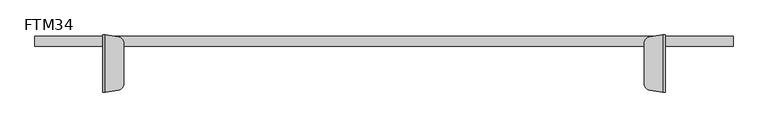
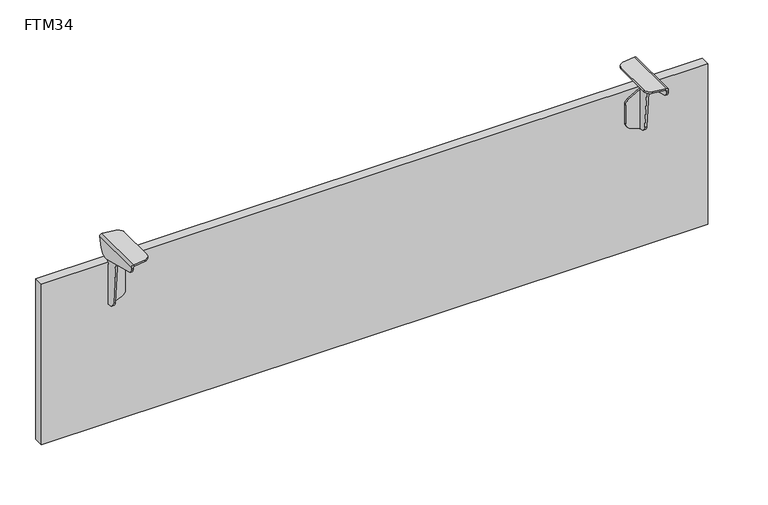
"""IFC4 building model written with IfcOpenShell, lengths in millimetres: furniture geometry, FTM34."""

from ifc_helpers import new_model, si_unit, frame, origin, origin_with_axes, place, context, project, spatial, polyline, circle_curve, ellipse_curve, outline, extrude, source, transform, mapped, element, save
from ifc_brep_helpers import plane_surface, cylinder_surface, revolved_surface, advanced_brep


def ftm34_ece94873(model_context):
    return source(origin(), model_context, "Body", "SolidModel", [
        advanced_brep(
        [(439.8, -72.16308, 319.1049121), (443.0, -72.16308, 315.9049121), (443.0, 17.6147548, 315.9049121), (442.9937439, 17.6539668, 316.1049121), (442.9937439, 17.83692, 316.1049121), (439.8, 17.83692, 319.1049121), (439.0, 17.83692, 319.1049121), (418.4975038, 14.723401, 319.1049121), (410.0, 4.83692, 319.1049121), (410.0, -59.16308, 319.1049121), (418.498606, -69.0423034, 319.1049121), (439.0, -72.16308, 319.1049121), (410.0, 4.83692, 316.1049121), (410.0, -59.16308, 316.1049121), (418.498606, 14.7161435, 316.1049121), (437.7952546, 17.6539668, 316.1049121), (438.0, 17.6850596, 316.1049121), (438.0, -72.0112195, 316.1049121), (418.4975038, -69.049561, 316.1049121), (440.0, 17.2618463, 314.1049121), (440.0, -72.16308, 314.1049121), (439.0, -72.16308, 315.8369629), (440.0, 14.0544932, 297.7458971), (440.0, -2.4822519, 287.8096181), (440.0, -67.2023451, 304.1426596), (440.0, -71.9879899, 310.8156242), (440.0, -72.1318917, 313.6921538), (443.0, -72.16308, 313.6905936), (443.0, -71.9879899, 310.8156242), (443.0, -67.2023451, 304.1426596), (443.0, -2.4822519, 287.8096181), (443.0, 14.0544932, 297.7458971), (439.0, 17.83692, 316.1049121)],
        [
            (0, 1, circle_curve(frame((439.8, -72.16308, 315.9049121), z_axis=(0.0, 1.0, 0.0), x_axis=(-1.0000000000000007, 0.0, 0.0)), 3.2)),
            (1, 2),
            (2, 3, ellipse_curve(frame((439.8, 17.6147548, 315.9049121), z_axis=(0.0, -0.9813171133351304, 0.19239730527116772), x_axis=(0.0, 0.1923973052711675, 0.9813171133351304)), 3.2609235, 3.2)),
            (3, 4),
            (4, 5, circle_curve(frame((439.8, 17.83692, 315.9049121), z_axis=(0.0, -1.0, 0.0), x_axis=(-1.0000000000000007, 0.0, 0.0)), 3.2)),
            (5, 0),
            (5, 6),
            (6, 7),
            (7, 8, circle_curve(frame((419.9999972, 4.8294947, 319.1049121), z_axis=(0.0, 0.0, 1.0), x_axis=(0.0, -1.0000000000000007, 0.0)), 10.0)),
            (8, 9),
            (9, 10, circle_curve(frame((419.9999972, -59.1556546, 319.1049121), z_axis=(0.0, 0.0, 1.0), x_axis=(0.0, 1.0000000000000007, 0.0)), 10.0)),
            (10, 11),
            (11, 0),
            (8, 12),
            (12, 13),
            (13, 9),
            (12, 14, circle_curve(frame((419.9999972, 4.8294947, 316.1049121), z_axis=(0.0, 0.0, -1.0), x_axis=(0.0, -1.0000000000000007, 0.0)), 10.0)),
            (14, 15),
            (15, 16),
            (16, 17),
            (17, 18),
            (18, 13, circle_curve(frame((419.9999972, -59.1556546, 316.1049121), z_axis=(0.0, 0.0, -1.0), x_axis=(0.0, 1.0000000000000007, 0.0)), 10.0)),
            (16, 19, ellipse_curve(frame((438.0, 17.2618463, 314.1049121), z_axis=(0.0, 0.9813171133351304, -0.19239730527116772), x_axis=(0.0, -0.1923973052711675, -0.9813171133351304)), 2.0380772, 2.0)),
            (19, 20),
            (20, 21, circle_curve(frame((438.0, -72.16308, 314.1049121), z_axis=(0.0, -1.0, 0.0), x_axis=(-1.0000000000000007, 0.0, 0.0)), 2.0)),
            (21, 17, ellipse_curve(frame((438.0, -72.0112195, 314.1049121), z_axis=(-0.15013912753490172, -0.9886648787041333, 0.0), x_axis=(0.9886648787041334, -0.15013912753490108, 0.0)), 2.0229302, 2.0)),
            (19, 22),
            (22, 23, circle_curve(frame((440.0, -0.104124, 302.580771), z_axis=(-1.0, 0.0, 0.0), x_axis=(0.0, 1.0000000000000007, 0.0)), 14.9613652)),
            (23, 24, circle_curve(frame((440.0, 58.171635, 664.5462216), z_axis=(-1.0, 0.0, 0.0), x_axis=(0.0, 1.0000000000000007, 0.0)), 381.5879485)),
            (24, 25, circle_curve(frame((440.0, -64.2507209, 311.3120144), z_axis=(-1.0, 0.0, 0.0), x_axis=(0.0, 1.0000000000000007, 0.0)), 7.7531757)),
            (25, 26),
            (26, 20),
            (1, 27),
            (27, 28),
            (28, 29, circle_curve(frame((443.0, -64.2507209, 311.3120144), z_axis=(1.0, 0.0, 0.0), x_axis=(0.0, 1.0000000000000007, 0.0)), 7.7531757)),
            (29, 30, circle_curve(frame((443.0, 58.171635, 664.5462216), z_axis=(1.0, 0.0, 0.0), x_axis=(0.0, 1.0000000000000007, 0.0)), 381.5879485)),
            (30, 31, circle_curve(frame((443.0, -0.104124, 302.580771), z_axis=(1.0, 0.0, 0.0), x_axis=(0.0, 1.0000000000000007, 0.0)), 14.9613652)),
            (31, 2),
            (18, 10),
            (26, 27),
            (11, 21),
            (6, 32),
            (32, 16),
            (14, 7),
            (4, 32),
            (25, 28),
            (24, 29),
            (23, 30),
            (22, 31),
            (16, 3),
        ],
        [
            cylinder_surface(frame((439.8, -77.16308, 315.9049121), z_axis=(0.0, 1.0000000000000007, 0.0), x_axis=(-1.0000000000000007, 0.0, 0.0)), 3.2),
            plane_surface(frame((439.8, 22.83692, 319.1049121), z_axis=(0.0, 0.0, 1.0), x_axis=(0.0, -1.0, 0.0))),
            plane_surface(frame((410.0, 22.83692, 319.1049121), z_axis=(-1.0, 0.0, 0.0), x_axis=(0.0, -1.0, 0.0))),
            plane_surface(frame((410.0, 22.83692, 316.1049121), z_axis=(0.0, 0.0, -1.0), x_axis=(0.0, -1.0, 0.0))),
            revolved_surface(polyline([(436.0, -72.31494047529199, 314.1049121), (436.0, 17.685059600000116, 314.1049121)]), (438.0, -77.16308, 314.1049121), (0.0, -1.0000000000000007, 0.0)),
            plane_surface(frame((440.0, 22.83692, 314.1049121), z_axis=(-1.0, 0.0, 0.0), x_axis=(0.0, -1.0, 0.0))),
            plane_surface(frame((443.0, 22.83692, 286.8077472), z_axis=(1.0, 0.0, 0.0), x_axis=(0.0, -1.0, 0.0))),
            cylinder_surface(frame((419.9999972, -59.1556546, 268.1049121), z_axis=(0.0, 0.0, -1.0), x_axis=(0.0, 1.0000000000000007, 0.0)), 10.0),
            plane_surface(frame((439.0, -72.16308, 348.1049121), z_axis=(0.0, -1.0, 0.0), x_axis=(0.0, 0.0, -1.0))),
            plane_surface(frame((418.4975038, -69.049561, 348.1049121), z_axis=(-0.15013912753490172, -0.9886648787041333, 0.0), x_axis=(0.0, 0.0, -1.0))),
            plane_surface(frame((439.0, 17.83692, 348.1049121), z_axis=(-0.15013912753491127, 0.9886648787041318, 0.0), x_axis=(0.0, 0.0, -1.0))),
            plane_surface(frame((446.6947292, 17.83692, 348.1049121), z_axis=(0.0, 1.0, 0.0), x_axis=(0.0, 0.0, -1.0))),
            cylinder_surface(frame((419.9999972, 4.8294947, 308.1049121), z_axis=(0.0, 0.0, -1.0), x_axis=(0.0, -1.0000000000000007, 0.0)), 10.0),
            plane_surface(frame((493.0, -72.1318136, 313.6905936), z_axis=(0.0, -0.9987510344134602, -0.04996369940309944), x_axis=(-1.0, 0.0, 0.0))),
            cylinder_surface(frame((393.0, -64.2507209, 311.3120144), z_axis=(-1.0000000000000007, 0.0, 0.0), x_axis=(0.0, 1.0000000000000007, 0.0)), 7.7531757),
            cylinder_surface(frame((393.0, 58.171635, 664.5462216), z_axis=(-1.0000000000000007, 0.0, 0.0), x_axis=(0.0, 1.0000000000000007, 0.0)), 381.5879485),
            cylinder_surface(frame((393.0, -0.104124, 302.580771), z_axis=(-1.0000000000000007, 0.0, 0.0), x_axis=(0.0, 1.0000000000000007, 0.0)), 14.9613652),
            plane_surface(frame((493.0, 14.0544932, 297.7458971), z_axis=(0.0, 0.9813171133351304, -0.19239730527116772), x_axis=(-1.0, 0.0, 0.0))),
            plane_surface(frame((493.0, 17.6539668, 316.1049121), z_axis=(0.0, 0.0, -1.0), x_axis=(-1.0, 0.0, 0.0))),
        ],
        [
            (0, [[1, 2, 3, 4, 5, 6]]),
            (1, [[7, 8, 9, 10, 11, 12, 13, -6]]),
            (2, [[14, 15, 16, -10]]),
            (3, [[17, 18, 19, 20, 21, 22, -15]]),
            (4, [[23, 24, 25, 26, -20]]),
            (5, [[27, 28, 29, 30, 31, 32, -24]]),
            (6, [[33, 34, 35, 36, 37, 38, -2]]),
            (7, [[-11, -16, -22, 39]]),
            (8, [[-25, -32, 40, -33, -1, -13, 41]]),
            (9, [[-12, -39, -21, -26, -41]]),
            (10, [[-8, 42, 43, -19, -18, 44]]),
            (11, [[-5, 45, -42, -7]]),
            (12, [[-17, -14, -9, -44]]),
            (13, [[-34, -40, -31, 46]]),
            (14, [[-30, 47, -35, -46]]),
            (15, [[-29, 48, -36, -47]]),
            (16, [[-28, 49, -37, -48]]),
            (17, [[-27, -23, 50, -3, -38, -49]]),
            (18, [[-43, -45, -4, -50]]),
        ],
    ),
        advanced_brep(
        [(-439.8, -72.16308, 319.1049121), (-439.8, 17.83692, 319.1049121), (-442.9937439, 17.83692, 316.1049121), (-442.9937439, 17.6539668, 316.1049121), (-443.0, 17.6147548, 315.9049121), (-443.0, -72.16308, 315.9049121), (-439.0, -72.16308, 319.1049121), (-418.4975038, -69.049561, 319.1049121), (-410.0, -59.16308, 319.1049121), (-410.0, 4.83692, 319.1049121), (-418.498606, 14.7161435, 319.1049121), (-439.0, 17.83692, 319.1049121), (-410.0, -59.16308, 316.1049121), (-410.0, 4.83692, 316.1049121), (-418.498606, -69.0423034, 316.1049121), (-438.0, -72.0112195, 316.1049121), (-438.0, 17.6850596, 316.1049121), (-437.7952546, 17.6539668, 316.1049121), (-418.4975038, 14.723401, 316.1049121), (-439.0, -72.16308, 315.8369629), (-440.0, -72.16308, 314.1049121), (-440.0, 17.2618463, 314.1049121), (-440.0, -72.16308, 313.6905936), (-440.0, -71.9879899, 310.8156242), (-440.0, -67.2023451, 304.1426596), (-440.0, -2.4822519, 287.8096181), (-440.0, 14.0544932, 297.7458971), (-443.0, 14.0544932, 297.7458971), (-443.0, -2.4822519, 287.8096181), (-443.0, -67.2023451, 304.1426596), (-443.0, -71.9879899, 310.8156242), (-443.0, -72.1318917, 313.6921538), (-439.0, 17.83692, 316.1049121)],
        [
            (0, 1),
            (1, 2, circle_curve(frame((-439.8, 17.83692, 315.9049121), z_axis=(0.0, -1.0, 0.0), x_axis=(1.0000000000000007, 0.0, 0.0)), 3.2)),
            (2, 3),
            (3, 4, ellipse_curve(frame((-439.8, 17.6147548, 315.9049121), z_axis=(0.0, -0.9813171133351304, 0.19239730527116772), x_axis=(0.0, 0.1923973052711675, 0.9813171133351304)), 3.2609235, 3.2)),
            (4, 5),
            (5, 0, circle_curve(frame((-439.8, -72.16308, 315.9049121), z_axis=(0.0, 1.0, 0.0), x_axis=(1.0000000000000007, 0.0, 0.0)), 3.2)),
            (0, 6),
            (6, 7),
            (7, 8, circle_curve(frame((-419.9999972, -59.1556546, 319.1049121), z_axis=(0.0, 0.0, 1.0), x_axis=(0.0, 1.0000000000000007, 0.0)), 10.0)),
            (8, 9),
            (9, 10, circle_curve(frame((-419.9999972, 4.8294947, 319.1049121), z_axis=(0.0, 0.0, 1.0), x_axis=(0.0, -1.0000000000000007, 0.0)), 10.0)),
            (10, 11),
            (11, 1),
            (8, 12),
            (12, 13),
            (13, 9),
            (12, 14, circle_curve(frame((-419.9999972, -59.1556546, 316.1049121), z_axis=(0.0, 0.0, -1.0), x_axis=(0.0, 1.0000000000000007, 0.0)), 10.0)),
            (14, 15),
            (15, 16),
            (16, 17),
            (17, 18),
            (18, 13, circle_curve(frame((-419.9999972, 4.8294947, 316.1049121), z_axis=(0.0, 0.0, -1.0), x_axis=(0.0, -1.0000000000000007, 0.0)), 10.0)),
            (15, 19, ellipse_curve(frame((-438.0, -72.0112195, 314.1049121), z_axis=(0.15013912753490172, -0.9886648787041333, 0.0), x_axis=(-0.9886648787041334, -0.15013912753490108, 0.0)), 2.0229302, 2.0)),
            (19, 20, circle_curve(frame((-438.0, -72.16308, 314.1049121), z_axis=(0.0, -1.0, 0.0), x_axis=(1.0000000000000007, 0.0, 0.0)), 2.0)),
            (20, 21),
            (21, 16, ellipse_curve(frame((-438.0, 17.2618463, 314.1049121), z_axis=(0.0, 0.9813171133351304, -0.19239730527116772), x_axis=(0.0, -0.1923973052711675, -0.9813171133351304)), 2.0380772, 2.0)),
            (20, 22),
            (22, 23),
            (23, 24, circle_curve(frame((-440.0, -64.2507209, 311.3120144), z_axis=(1.0, 0.0, 0.0), x_axis=(0.0, 1.0000000000000007, 0.0)), 7.7531757)),
            (24, 25, circle_curve(frame((-440.0, 58.171635, 664.5462216), z_axis=(1.0, 0.0, 0.0), x_axis=(0.0, 1.0000000000000007, 0.0)), 381.5879485)),
            (25, 26, circle_curve(frame((-440.0, -0.104124, 302.580771), z_axis=(1.0, 0.0, 0.0), x_axis=(0.0, 1.0000000000000007, 0.0)), 14.9613652)),
            (26, 21),
            (4, 27),
            (27, 28, circle_curve(frame((-443.0, -0.104124, 302.580771), z_axis=(-1.0, 0.0, 0.0), x_axis=(0.0, 1.0000000000000007, 0.0)), 14.9613652)),
            (28, 29, circle_curve(frame((-443.0, 58.171635, 664.5462216), z_axis=(-1.0, 0.0, 0.0), x_axis=(0.0, 1.0000000000000007, 0.0)), 381.5879485)),
            (29, 30, circle_curve(frame((-443.0, -64.2507209, 311.3120144), z_axis=(-1.0, 0.0, 0.0), x_axis=(0.0, 1.0000000000000007, 0.0)), 7.7531757)),
            (30, 31),
            (31, 5),
            (7, 14),
            (19, 6),
            (31, 22),
            (10, 18),
            (16, 32),
            (32, 11),
            (32, 2),
            (30, 23),
            (29, 24),
            (28, 25),
            (27, 26),
            (3, 16),
        ],
        [
            cylinder_surface(frame((-439.8, -77.16308, 315.9049121), z_axis=(0.0, 1.0000000000000007, 0.0), x_axis=(1.0000000000000007, 0.0, 0.0)), 3.2),
            plane_surface(frame((-439.8, 22.83692, 319.1049121), z_axis=(0.0, 0.0, 1.0), x_axis=(0.0, -1.0, 0.0))),
            plane_surface(frame((-410.0, 22.83692, 319.1049121), z_axis=(1.0, 0.0, 0.0), x_axis=(0.0, -1.0, 0.0))),
            plane_surface(frame((-410.0, 22.83692, 316.1049121), z_axis=(0.0, 0.0, -1.0), x_axis=(0.0, -1.0, 0.0))),
            revolved_surface(polyline([(-436.0, -72.31494047529199, 314.1049121), (-436.0, 17.685059600000116, 314.1049121)]), (-438.0, -77.16308, 314.1049121), (0.0, -1.0000000000000007, 0.0)),
            plane_surface(frame((-440.0, 22.83692, 314.1049121), z_axis=(1.0, 0.0, 0.0), x_axis=(0.0, -1.0, 0.0))),
            plane_surface(frame((-443.0, 22.83692, 286.8077472), z_axis=(-1.0, 0.0, 0.0), x_axis=(0.0, -1.0, 0.0))),
            cylinder_surface(frame((-419.9999972, -59.1556546, 268.1049121), z_axis=(0.0, 0.0, -1.0), x_axis=(0.0, 1.0000000000000007, 0.0)), 10.0),
            plane_surface(frame((-439.0, -72.16308, 348.1049121), z_axis=(0.0, -1.0, 0.0), x_axis=(0.0, 0.0, -1.0))),
            plane_surface(frame((-418.4975038, -69.049561, 348.1049121), z_axis=(0.15013912753490172, -0.9886648787041333, 0.0), x_axis=(0.0, 0.0, -1.0))),
            plane_surface(frame((-439.0, 17.83692, 348.1049121), z_axis=(0.15013912753491127, 0.9886648787041318, 0.0), x_axis=(0.0, 0.0, -1.0))),
            plane_surface(frame((-446.6947292, 17.83692, 348.1049121), z_axis=(0.0, 1.0, 0.0), x_axis=(0.0, 0.0, -1.0))),
            cylinder_surface(frame((-419.9999972, 4.8294947, 308.1049121), z_axis=(0.0, 0.0, -1.0), x_axis=(0.0, -1.0000000000000007, 0.0)), 10.0),
            plane_surface(frame((-493.0, -72.1318136, 313.6905936), z_axis=(0.0, -0.9987510344134602, -0.04996369940309944), x_axis=(1.0, 0.0, 0.0))),
            cylinder_surface(frame((-393.0, -64.2507209, 311.3120144), z_axis=(1.0000000000000007, 0.0, 0.0), x_axis=(0.0, 1.0000000000000007, 0.0)), 7.7531757),
            cylinder_surface(frame((-393.0, 58.171635, 664.5462216), z_axis=(1.0000000000000007, 0.0, 0.0), x_axis=(0.0, 1.0000000000000007, 0.0)), 381.5879485),
            cylinder_surface(frame((-393.0, -0.104124, 302.580771), z_axis=(1.0000000000000007, 0.0, 0.0), x_axis=(0.0, 1.0000000000000007, 0.0)), 14.9613652),
            plane_surface(frame((-493.0, 14.0544932, 297.7458971), z_axis=(0.0, 0.9813171133351304, -0.19239730527116772), x_axis=(1.0, 0.0, 0.0))),
            plane_surface(frame((-493.0, 17.6539668, 316.1049121), z_axis=(0.0, 0.0, -1.0), x_axis=(1.0, 0.0, 0.0))),
        ],
        [
            (0, [[1, 2, 3, 4, 5, 6]]),
            (1, [[-1, 7, 8, 9, 10, 11, 12, 13]]),
            (2, [[-10, 14, 15, 16]]),
            (3, [[-15, 17, 18, 19, 20, 21, 22]]),
            (4, [[-19, 23, 24, 25, 26]]),
            (5, [[-25, 27, 28, 29, 30, 31, 32]]),
            (6, [[-5, 33, 34, 35, 36, 37, 38]]),
            (7, [[39, -17, -14, -9]]),
            (8, [[40, -7, -6, -38, 41, -27, -24]]),
            (9, [[-40, -23, -18, -39, -8]]),
            (10, [[42, -21, -20, 43, 44, -12]]),
            (11, [[-13, -44, 45, -2]]),
            (12, [[-42, -11, -16, -22]]),
            (13, [[46, -28, -41, -37]]),
            (14, [[-46, -36, 47, -29]]),
            (15, [[-47, -35, 48, -30]]),
            (16, [[-48, -34, 49, -31]]),
            (17, [[-49, -33, -4, 50, -26, -32]]),
            (18, [[-50, -3, -45, -43]]),
        ],
    ),
        advanced_brep(
        [(-440.0, 0.0, 207.9691596), (-440.0, -5.1359201, 207.9358061), (-440.0, -16.1031866, 218.3487266), (-440.0, -24.0162134, 312.947232), (-440.0, -21.9387967, 314.9405936), (-440.0, 2.068775, 314.0105225), (-440.0, 8.2738506, 288.0991458), (-440.0, -1.3959769, 280.7935217), (-440.0, -3.0, 277.2580415), (-440.0, -3.0, 276.3853785), (-440.0, 0.0, 276.3853785), (-437.0, -5.1359201, 207.9358061), (-437.0, -3.0, 207.9358061), (-437.0, -3.0, 276.3853785), (-437.0, -3.0, 277.2580415), (-437.0, -1.3959769, 280.7935217), (-437.0, 8.2738506, 288.0991458), (-437.0, 2.068775, 314.0105225), (-437.0, -21.9387967, 314.9405936), (-437.0, -24.0162134, 312.947232), (-437.0, -16.1031866, 218.3487266), (-435.767477, 0.0, 207.9358061), (-435.767477, -3.0, 207.9358061), (-436.5107174, -3.0, 276.3853785), (-418.7298544, -3.0, 215.3352402), (-412.6982669, -3.0, 224.5141128), (-412.6982669, -3.0, 257.1042486), (-417.78218, -3.0, 265.8124109), (-436.5107174, 0.0, 276.3853785), (-417.78218, 0.0, 265.8124109), (-412.6982669, 0.0, 257.1042486), (-412.6982669, 0.0, 224.5141128), (-418.7298544, 0.0, 215.3352402)],
        [
            (0, 1),
            (1, 2, circle_curve(frame((-440.0, -3.653562, 220.4791018), z_axis=(-1.0, 0.0, 0.0), x_axis=(0.0, 0.0, 1.0)), 12.630584)),
            (2, 3, circle_curve(frame((-440.0, 528.4219489, 311.5276683), z_axis=(-1.0, 0.0, 0.0), x_axis=(0.0, 0.0, 1.0)), 552.4399863)),
            (3, 4, circle_curve(frame((-440.0, -22.0162201, 312.9420928), z_axis=(-1.0, 0.0, 0.0), x_axis=(0.0, 0.0, 1.0)), 2.0)),
            (4, 5),
            (5, 6, circle_curve(frame((-440.0, 0.9856599, 300.0524832), z_axis=(-1.0, 0.0, 0.0), x_axis=(0.0, 0.0, 1.0)), 14.0)),
            (6, 7, circle_curve(frame((-440.0, 34.5004923, 243.3328186), z_axis=(1.0, 0.0, 0.0), x_axis=(0.0, 0.0, 1.0)), 51.8831455)),
            (7, 8, circle_curve(frame((-440.0, 1.9981495, 277.1220226), z_axis=(1.0, 0.0, 0.0), x_axis=(0.0, 0.0, 1.0)), 5.0)),
            (8, 9),
            (9, 10),
            (10, 0),
            (11, 12),
            (12, 13),
            (13, 14),
            (14, 15, circle_curve(frame((-437.0, 1.9981495, 277.1220226), z_axis=(-1.0, 0.0, 0.0), x_axis=(0.0, 0.0, 1.0)), 5.0)),
            (15, 16, circle_curve(frame((-437.0, 34.5004923, 243.3328186), z_axis=(-1.0, 0.0, 0.0), x_axis=(0.0, 0.0, 1.0)), 51.8831455)),
            (16, 17, circle_curve(frame((-437.0, 0.9856599, 300.0524832), z_axis=(1.0, 0.0, 0.0), x_axis=(0.0, 0.0, 1.0)), 14.0)),
            (17, 18),
            (18, 19, circle_curve(frame((-437.0, -22.0162201, 312.9420928), z_axis=(1.0, 0.0, 0.0), x_axis=(0.0, 0.0, 1.0)), 2.0)),
            (19, 20, circle_curve(frame((-437.0, 528.4219489, 311.5276683), z_axis=(1.0, 0.0, 0.0), x_axis=(0.0, 0.0, 1.0)), 552.4399863)),
            (20, 11, circle_curve(frame((-437.0, -3.653562, 220.4791018), z_axis=(1.0, 0.0, 0.0), x_axis=(0.0, 0.0, 1.0)), 12.630584)),
            (0, 21),
            (21, 22),
            (22, 12),
            (11, 1),
            (13, 9),
            (8, 14),
            (7, 15),
            (6, 16),
            (5, 17),
            (4, 18),
            (3, 19),
            (2, 20),
            (23, 13),
            (22, 24),
            (24, 25, circle_curve(frame((-422.6982669, -3.0, 224.5141128), z_axis=(0.0, -1.0, 0.0), x_axis=(-1.0, 0.0, 0.0)), 10.0)),
            (25, 26),
            (26, 27, circle_curve(frame((-422.6982669, -3.0, 257.1042486), z_axis=(0.0, -1.0, 0.0), x_axis=(-1.0, 0.0, 0.0)), 10.0)),
            (27, 23),
            (28, 29),
            (29, 30, circle_curve(frame((-422.6982669, 0.0, 257.1042486), z_axis=(0.0, 1.0, 0.0), x_axis=(-1.0, 0.0, 0.0)), 10.0)),
            (30, 31),
            (31, 32, circle_curve(frame((-422.6982669, 0.0, 224.5141128), z_axis=(0.0, 1.0, 0.0), x_axis=(-1.0, 0.0, 0.0)), 10.0)),
            (32, 21),
            (10, 28),
            (27, 29),
            (28, 23),
            (26, 30),
            (25, 31),
            (24, 32),
        ],
        [
            plane_surface(frame((-440.0, -3.0, 207.9358061), z_axis=(-1.0, 0.0, 0.0), x_axis=(0.0, 1.0, 0.0))),
            plane_surface(frame((-437.0, -3.0, 207.9358061), z_axis=(1.0, 0.0, 0.0), x_axis=(0.0, -1.0, 0.0))),
            plane_surface(frame((-440.0, -5.1359201, 207.9358061), z_axis=(0.0, 0.0, -1.0), x_axis=(1.0, 0.0, 0.0))),
            plane_surface(frame((-440.0, -3.0, 207.9358061), z_axis=(0.0, 1.0, 0.0), x_axis=(1.0, 0.0, 0.0))),
            revolved_surface(polyline([(-437.0, 1.9981495, 282.1220226), (-440.0, 1.9981495, 282.1220226)]), (-437.0, 1.9981495, 277.1220226), (1.0, 0.0, 0.0)),
            revolved_surface(polyline([(-437.0, 34.5004923, 295.2159641), (-440.0, 34.5004923, 295.2159641)]), (-437.0, 34.5004923, 243.3328186), (1.0, 0.0, 0.0)),
            cylinder_surface(frame((-437.0, 0.9856599, 300.0524832), z_axis=(-1.0, 0.0, 0.0), x_axis=(0.0, 0.0, 1.0)), 14.0),
            plane_surface(frame((-440.0, 2.068775, 314.0105225), z_axis=(0.0, 0.03871170098746424, 0.9992504211691168), x_axis=(1.0, 0.0, 0.0))),
            cylinder_surface(frame((-437.0, -22.0162201, 312.9420928), z_axis=(-1.0, 0.0, 0.0), x_axis=(0.0, 0.0, 1.0)), 2.0),
            cylinder_surface(frame((-437.0, 528.4219489, 311.5276683), z_axis=(-1.0, 0.0, 0.0), x_axis=(0.0, 0.0, 1.0)), 552.4399863),
            cylinder_surface(frame((-437.0, -3.653562, 220.4791018), z_axis=(-1.0, 0.0, 0.0), x_axis=(0.0, 0.0, 1.0)), 12.630584),
            plane_surface(frame((-417.82832, -3.0, 265.8384586), z_axis=(0.0, -1.0, 0.0), x_axis=(0.8708162236099727, 0.0, -0.491608690624633))),
            plane_surface(frame((-417.82832, 0.0, 265.8384586), z_axis=(0.0, 1.0, 0.0), x_axis=(-0.8708162236099727, 0.0, 0.491608690624633))),
            plane_surface(frame((-436.5107174, -3.0, 276.3853785), z_axis=(0.491608690624633, 0.0, 0.8708162236099727), x_axis=(0.0, 1.0, 0.0))),
            cylinder_surface(frame((-422.6982669, 0.0, 257.1042486), z_axis=(0.0, -1.0, 0.0), x_axis=(-1.0, 0.0, 0.0)), 10.0),
            plane_surface(frame((-412.6982669, -3.0, 257.1042486), z_axis=(1.0, 0.0, 0.0), x_axis=(0.0, 1.0, 0.0))),
            cylinder_surface(frame((-422.6982669, 0.0, 224.5141128), z_axis=(0.0, -1.0, 0.0), x_axis=(-1.0, 0.0, 0.0)), 10.0),
            plane_surface(frame((-418.7298544, -3.0, 215.3352402), z_axis=(0.39684125094124456, 0.0, -0.9178872597173294), x_axis=(0.0, 1.0, 0.0))),
            plane_surface(frame((-440.0003126, -3.0, 276.3853785), z_axis=(0.0, 0.0, 1.0), x_axis=(0.0, 1.0, 0.0))),
        ],
        [
            (0, [[1, 2, 3, 4, 5, 6, 7, 8, 9, 10, 11]]),
            (1, [[12, 13, 14, 15, 16, 17, 18, 19, 20, 21]]),
            (2, [[22, 23, 24, -12, 25, -1]]),
            (3, [[-14, 26, -9, 27]]),
            (4, [[28, -15, -27, -8]]),
            (5, [[29, -16, -28, -7]]),
            (6, [[30, -17, -29, -6]]),
            (7, [[31, -18, -30, -5]]),
            (8, [[32, -19, -31, -4]]),
            (9, [[33, -20, -32, -3]]),
            (10, [[-25, -21, -33, -2]]),
            (11, [[34, -13, -24, 35, 36, 37, 38, 39]]),
            (12, [[40, 41, 42, 43, 44, -22, -11, 45]]),
            (13, [[46, -40, 47, -39]]),
            (14, [[48, -41, -46, -38]]),
            (15, [[49, -42, -48, -37]]),
            (16, [[50, -43, -49, -36]]),
            (17, [[-23, -44, -50, -35]]),
            (18, [[-10, -26, -34, -47, -45]]),
        ],
    ),
        advanced_brep(
        [(440.0, 0.0, 207.9691596), (440.0, 0.0, 276.3853785), (440.0, -3.0, 276.3853785), (440.0, -3.0, 277.2580415), (440.0, -1.3959769, 280.7935217), (440.0, 8.2738506, 288.0991458), (440.0, 2.068775, 314.0105225), (440.0, -21.9387967, 314.9405936), (440.0, -24.0162134, 312.947232), (440.0, -16.1031866, 218.3487266), (440.0, -5.1359201, 207.9358061), (437.0, -5.1359201, 207.9358061), (437.0, -16.1031866, 218.3487266), (437.0, -24.0162134, 312.947232), (437.0, -21.9387967, 314.9405936), (437.0, 2.068775, 314.0105225), (437.0, 8.2738506, 288.0991458), (437.0, -1.3959769, 280.7935217), (437.0, -3.0, 277.2580415), (437.0, -3.0, 276.3853785), (437.0, -3.0, 207.9358061), (435.767477, -3.0, 207.9358061), (435.767477, 0.0, 207.9358061), (436.5107174, -3.0, 276.3853785), (417.78218, -3.0, 265.8124109), (412.6982669, -3.0, 257.1042486), (412.6982669, -3.0, 224.5141128), (418.7298544, -3.0, 215.3352402), (436.5107174, 0.0, 276.3853785), (418.7298544, 0.0, 215.3352402), (412.6982669, 0.0, 224.5141128), (412.6982669, 0.0, 257.1042486), (417.78218, 0.0, 265.8124109)],
        [
            (0, 1),
            (1, 2),
            (2, 3),
            (3, 4, circle_curve(frame((440.0, 1.9981495, 277.1220226), z_axis=(-1.0, 0.0, 0.0), x_axis=(0.0, 0.0, 1.0)), 5.0)),
            (4, 5, circle_curve(frame((440.0, 34.5004923, 243.3328186), z_axis=(-1.0, 0.0, 0.0), x_axis=(0.0, 0.0, 1.0)), 51.8831455)),
            (5, 6, circle_curve(frame((440.0, 0.9856599, 300.0524832), z_axis=(1.0, 0.0, 0.0), x_axis=(0.0, 0.0, 1.0)), 14.0)),
            (6, 7),
            (7, 8, circle_curve(frame((440.0, -22.0162201, 312.9420928), z_axis=(1.0, 0.0, 0.0), x_axis=(0.0, 0.0, 1.0)), 2.0)),
            (8, 9, circle_curve(frame((440.0, 528.4219489, 311.5276683), z_axis=(1.0, 0.0, 0.0), x_axis=(0.0, 0.0, 1.0)), 552.4399863)),
            (9, 10, circle_curve(frame((440.0, -3.653562, 220.4791018), z_axis=(1.0, 0.0, 0.0), x_axis=(0.0, 0.0, 1.0)), 12.630584)),
            (10, 0),
            (11, 12, circle_curve(frame((437.0, -3.653562, 220.4791018), z_axis=(-1.0, 0.0, 0.0), x_axis=(0.0, 0.0, 1.0)), 12.630584)),
            (12, 13, circle_curve(frame((437.0, 528.4219489, 311.5276683), z_axis=(-1.0, 0.0, 0.0), x_axis=(0.0, 0.0, 1.0)), 552.4399863)),
            (13, 14, circle_curve(frame((437.0, -22.0162201, 312.9420928), z_axis=(-1.0, 0.0, 0.0), x_axis=(0.0, 0.0, 1.0)), 2.0)),
            (14, 15),
            (15, 16, circle_curve(frame((437.0, 0.9856599, 300.0524832), z_axis=(-1.0, 0.0, 0.0), x_axis=(0.0, 0.0, 1.0)), 14.0)),
            (16, 17, circle_curve(frame((437.0, 34.5004923, 243.3328186), z_axis=(1.0, 0.0, 0.0), x_axis=(0.0, 0.0, 1.0)), 51.8831455)),
            (17, 18, circle_curve(frame((437.0, 1.9981495, 277.1220226), z_axis=(1.0, 0.0, 0.0), x_axis=(0.0, 0.0, 1.0)), 5.0)),
            (18, 19),
            (19, 20),
            (20, 11),
            (10, 11),
            (20, 21),
            (21, 22),
            (22, 0),
            (18, 3),
            (2, 19),
            (17, 4),
            (16, 5),
            (15, 6),
            (14, 7),
            (13, 8),
            (12, 9),
            (23, 24),
            (24, 25, circle_curve(frame((422.6982669, -3.0, 257.1042486), z_axis=(0.0, -1.0, 0.0), x_axis=(1.0, 0.0, 0.0)), 10.0)),
            (25, 26),
            (26, 27, circle_curve(frame((422.6982669, -3.0, 224.5141128), z_axis=(0.0, -1.0, 0.0), x_axis=(1.0, 0.0, 0.0)), 10.0)),
            (27, 21),
            (19, 23),
            (28, 1),
            (22, 29),
            (29, 30, circle_curve(frame((422.6982669, 0.0, 224.5141128), z_axis=(0.0, 1.0, 0.0), x_axis=(1.0, 0.0, 0.0)), 10.0)),
            (30, 31),
            (31, 32, circle_curve(frame((422.6982669, 0.0, 257.1042486), z_axis=(0.0, 1.0, 0.0), x_axis=(1.0, 0.0, 0.0)), 10.0)),
            (32, 28),
            (23, 28),
            (32, 24),
            (31, 25),
            (30, 26),
            (29, 27),
        ],
        [
            plane_surface(frame((440.0, -3.0, 207.9358061), z_axis=(1.0, 0.0, 0.0), x_axis=(0.0, 1.0, 0.0))),
            plane_surface(frame((437.0, -3.0, 207.9358061), z_axis=(-1.0, 0.0, 0.0), x_axis=(0.0, -1.0, 0.0))),
            plane_surface(frame((440.0, -5.1359201, 207.9358061), z_axis=(0.0, 0.0, -1.0), x_axis=(-1.0, 0.0, 0.0))),
            plane_surface(frame((440.0, -3.0, 207.9358061), z_axis=(0.0, 1.0, 0.0), x_axis=(-1.0, 0.0, 0.0))),
            revolved_surface(polyline([(437.0, 1.9981495, 282.1220226), (440.0, 1.9981495, 282.1220226)]), (437.0, 1.9981495, 277.1220226), (-1.0, 0.0, 0.0)),
            revolved_surface(polyline([(437.0, 34.5004923, 295.2159641), (440.0, 34.5004923, 295.2159641)]), (437.0, 34.5004923, 243.3328186), (-1.0, 0.0, 0.0)),
            cylinder_surface(frame((437.0, 0.9856599, 300.0524832), z_axis=(1.0, 0.0, 0.0), x_axis=(0.0, 0.0, 1.0)), 14.0),
            plane_surface(frame((440.0, 2.068775, 314.0105225), z_axis=(0.0, 0.03871170098746424, 0.9992504211691168), x_axis=(-1.0, 0.0, 0.0))),
            cylinder_surface(frame((437.0, -22.0162201, 312.9420928), z_axis=(1.0, 0.0, 0.0), x_axis=(0.0, 0.0, 1.0)), 2.0),
            cylinder_surface(frame((437.0, 528.4219489, 311.5276683), z_axis=(1.0, 0.0, 0.0), x_axis=(0.0, 0.0, 1.0)), 552.4399863),
            cylinder_surface(frame((437.0, -3.653562, 220.4791018), z_axis=(1.0, 0.0, 0.0), x_axis=(0.0, 0.0, 1.0)), 12.630584),
            plane_surface(frame((417.82832, -3.0, 265.8384586), z_axis=(0.0, -1.0, 0.0), x_axis=(-0.8708162236099727, 0.0, -0.491608690624633))),
            plane_surface(frame((417.82832, 0.0, 265.8384586), z_axis=(0.0, 1.0, 0.0), x_axis=(0.8708162236099727, 0.0, 0.491608690624633))),
            plane_surface(frame((436.5107174, -3.0, 276.3853785), z_axis=(-0.491608690624633, 0.0, 0.8708162236099727), x_axis=(0.0, 1.0, 0.0))),
            cylinder_surface(frame((422.6982669, 0.0, 257.1042486), z_axis=(0.0, -1.0, 0.0), x_axis=(1.0, 0.0, 0.0)), 10.0),
            plane_surface(frame((412.6982669, -3.0, 257.1042486), z_axis=(-1.0, 0.0, 0.0), x_axis=(0.0, 1.0, 0.0))),
            cylinder_surface(frame((422.6982669, 0.0, 224.5141128), z_axis=(0.0, -1.0, 0.0), x_axis=(1.0, 0.0, 0.0)), 10.0),
            plane_surface(frame((418.7298544, -3.0, 215.3352402), z_axis=(-0.39684125094124456, 0.0, -0.9178872597173294), x_axis=(0.0, 1.0, 0.0))),
            plane_surface(frame((440.0003126, -3.0, 276.3853785), z_axis=(0.0, 0.0, 1.0), x_axis=(0.0, 1.0, 0.0))),
        ],
        [
            (0, [[1, 2, 3, 4, 5, 6, 7, 8, 9, 10, 11]]),
            (1, [[12, 13, 14, 15, 16, 17, 18, 19, 20, 21]]),
            (2, [[-11, 22, -21, 23, 24, 25]]),
            (3, [[26, -3, 27, -19]]),
            (4, [[-4, -26, -18, 28]]),
            (5, [[-5, -28, -17, 29]]),
            (6, [[-6, -29, -16, 30]]),
            (7, [[-7, -30, -15, 31]]),
            (8, [[-8, -31, -14, 32]]),
            (9, [[-9, -32, -13, 33]]),
            (10, [[-10, -33, -12, -22]]),
            (11, [[34, 35, 36, 37, 38, -23, -20, 39]]),
            (12, [[40, -1, -25, 41, 42, 43, 44, 45]]),
            (13, [[-34, 46, -45, 47]]),
            (14, [[-35, -47, -44, 48]]),
            (15, [[-36, -48, -43, 49]]),
            (16, [[-37, -49, -42, 50]]),
            (17, [[-38, -50, -41, -24]]),
            (18, [[-40, -46, -39, -27, -2]]),
        ],
    ),
        extrude(outline(polyline([(550.0, 0.0), (-550.0, 0.0), (-550.0, 16.0), (550.0, 16.0), (550.0, 0.0)])), origin_with_axes(), (0.0, 0.0, 1.0), 280.0),
    ])


if __name__ == "__main__":
    model = new_model("IFC4")
    model_context = context("Model", 3, world=origin())
    ifc_project = project(units=[si_unit("LENGTHUNIT", "METRE", prefix="MILLI")], contexts=[model_context])
    site = spatial("IfcSite", under=ifc_project)
    building = spatial("IfcBuilding", under=site)
    placement = place(None, origin())
    ftm34_shape = ftm34_ece94873(model_context)
    element("IfcFurniture", 1, ObjectType="FTM34", at=placement, inside=building, context=model_context, shape_type="MappedRepresentation", body=[
        mapped(ftm34_shape, transform((0.0, 0.0, 0.0), x_axis=(1.0, 0.0, 0.0), y_axis=(0.0, 1.0, 0.0), z_axis=(0.0, 0.0, 1.0))),
    ])
    save(model, "model.ifc")
